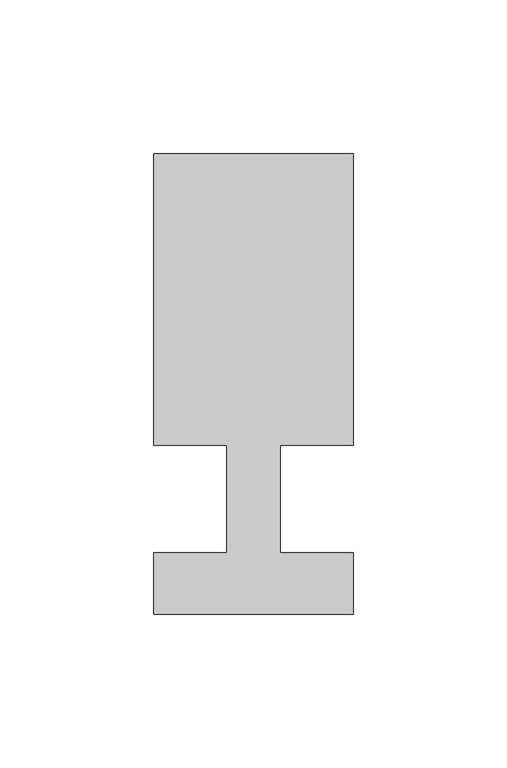
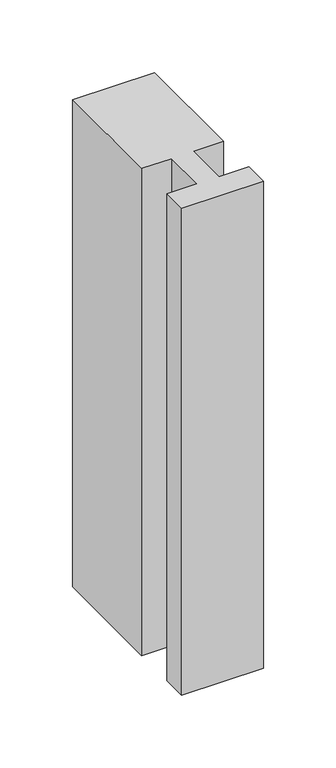
"""IFC4 building model written with IfcOpenShell, lengths in millimetres: member geometry."""

from ifc_helpers import new_model, si_unit, frame, origin, place, context, project, spatial, polyline, outline, extrude, source, transform, mapped, element, save


def member_af5bf08f(model_context):
    return source(origin(), model_context, "Body", "SweptSolid", [
        extrude(outline(polyline([(-32.5, -37.0), (-32.5, -17.0), (-8.6875, -17.0), (-8.6875, 18.0), (-32.5, 18.0), (-32.5, 113.0), (32.5, 113.0), (32.5, 18.0), (8.6875, 18.0), (8.6875, -17.0), (32.5, -17.0), (32.5, -37.0), (-32.5, -37.0)])), frame((0.0, 0.0, -408.8125), z_axis=(0.0, 0.0, 1.0), x_axis=(1.0, 0.0, 0.0)), (0.0, 0.0, 1.0), 408.8125),
    ])


if __name__ == "__main__":
    model = new_model("IFC4")
    model_context = context("Model", 3, world=origin())
    ifc_project = project(units=[si_unit("LENGTHUNIT", "METRE", prefix="MILLI")], contexts=[model_context])
    site = spatial("IfcSite", under=ifc_project)
    building = spatial("IfcBuilding", under=site)
    placement = place(None, origin())
    member_shape = member_af5bf08f(model_context)
    element("IfcMember", 1, at=placement, inside=building, context=model_context, shape_type="MappedRepresentation", body=[
        mapped(member_shape, transform((0.0, 0.0, 0.0), x_axis=(1.0, 0.0, 0.0), y_axis=(0.0, 1.0, 0.0), z_axis=(0.0, 0.0, 1.0))),
    ])
    save(model, "model.ifc")
